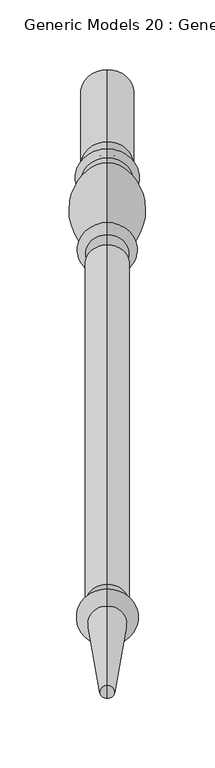
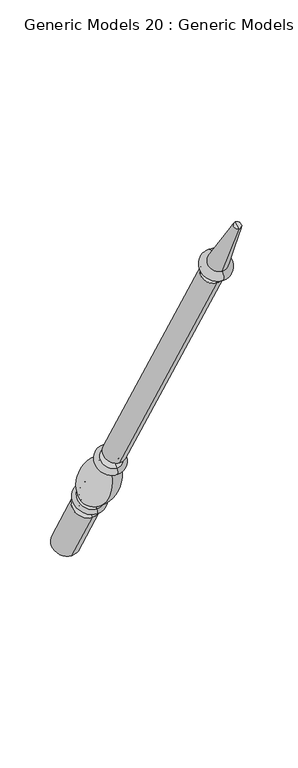
"""IFC4 building model written with IfcOpenShell, lengths in millimetres: proxy geometry, Generic Models 20 : Generic Models 2."""

from ifc_helpers import new_model, si_unit, point, frame, origin, place, context, project, spatial, polyline, circle_curve, ellipse_curve, trimmed, source, transform, mapped, element, save
from ifc_brep_helpers import plane_surface, cylinder_surface, revolved_surface, advanced_brep


def generic_models_20_generic_models_2_b934a1f4(model_context):
    return source(origin(), model_context, "Body", "AdvancedBrep", [
        advanced_brep(
        [(-70.2684498, 1861.1601077, 610.5814746), (-70.2684498, 1828.1645398, 591.5314746), (-70.2684498, 1880.0576333, 501.65), (-70.2684498, 1913.0532012, 520.7), (-70.2684498, 1853.6896456, 623.5206944), (-70.2684498, 1820.6940777, 604.4706944), (-70.2684498, 1849.5864045, 630.6277165), (-70.2684498, 1816.5908366, 611.5777165), (-70.2684498, 1845.9182158, 636.9812058), (-70.2684498, 1812.9226479, 617.9312058), (-70.2684498, 1801.1569262, 703.055156), (-70.2684498, 1778.0815733, 689.7325947), (-70.2684498, 1799.8610191, 710.4046105), (-70.2684498, 1772.3647125, 694.5296105), (-70.2684498, 1794.1590629, 720.2806883), (-70.2684498, 1766.6627563, 704.4056883), (-70.2684498, 1786.7732215, 733.0733408), (-70.2684498, 1759.276915, 717.1983408), (-70.2684498, 1542.2982215, 1156.516462), (-70.2684498, 1514.801915, 1140.641462), (-70.2684498, 1537.2251467, 1153.5875209), (-70.2684498, 1519.8749898, 1143.5704031), (-70.2684498, 1531.1910418, 1164.0388972), (-70.2684498, 1513.8408848, 1154.0217794), (-70.2684498, 1534.7597609, 1166.0992981), (-70.2684498, 1510.2721658, 1151.9613785), (-70.2684498, 1526.5847892, 1180.2587644), (-70.2684498, 1502.0971941, 1166.1208448), (-70.2684498, 1469.4852742, 1261.8053229), (-70.2684498, 1460.0255603, 1256.3437545), (-70.2684498, 1464.7554173, 1259.0745387), (-70.2684498, 1896.5554173, 511.175)],
        [
            (0, 1, circle_curve(frame((-70.2684498, 1844.6623237, 601.0564746), z_axis=(0.0, 0.5000000000000062, -0.8660254037844352), x_axis=(0.0, -0.8660254037844352, -0.5000000000000062)), 19.05)),
            (1, 2),
            (2, 3, circle_curve(frame((-70.2684498, 1896.5554173, 511.175), z_axis=(0.0, -0.5000000000000062, 0.8660254037844352), x_axis=(0.0, -0.8660254037844352, -0.5000000000000062)), 19.05)),
            (3, 0),
            (1, 0, circle_curve(frame((-70.2684498, 1844.6623237, 601.0564746), z_axis=(0.0, 0.5000000000000062, -0.8660254037844352), x_axis=(0.0, -0.8660254037844352, -0.5000000000000062)), 19.05)),
            (3, 2, circle_curve(frame((-70.2684498, 1896.5554173, 511.175), z_axis=(0.0, -0.5000000000000062, 0.8660254037844352), x_axis=(0.0, -0.8660254037844352, -0.5000000000000062)), 19.05)),
            (4, 5, circle_curve(frame((-70.2684498, 1837.1918617, 613.9956944), z_axis=(0.0, 0.5000000000000062, -0.8660254037844352), x_axis=(0.0, -0.8660254037844352, -0.5000000000000062)), 19.05)),
            (5, 1, circle_curve(frame((-70.2684498, 1821.8102989, 596.4889985), z_axis=(-1.0, 0.0, 0.0), x_axis=(0.0, 0.8660254037844352, 0.5000000000000062)), 8.0593685)),
            (0, 4, circle_curve(frame((-70.2684498, 1860.0438865, 618.5631706), z_axis=(-1.0, 0.0, 0.0), x_axis=(0.0, -0.8660254037844352, -0.5000000000000062)), 8.0593685)),
            (5, 4, circle_curve(frame((-70.2684498, 1837.1918617, 613.9956944), z_axis=(0.0, 0.5000000000000062, -0.8660254037844352), x_axis=(0.0, -0.8660254037844352, -0.5000000000000062)), 19.05)),
            (6, 7, circle_curve(frame((-70.2684498, 1833.0886205, 621.1027165), z_axis=(0.0, 0.5000000000000062, -0.8660254037844352), x_axis=(0.0, -0.8660254037844352, -0.5000000000000062)), 19.05)),
            (7, 5, circle_curve(frame((-70.2684498, 1818.6424572, 608.0242055), z_axis=(1.0, 0.0, 0.0), x_axis=(0.0, 0.8660254037844352, 0.5000000000000062)), 4.1032411)),
            (4, 6, circle_curve(frame((-70.2684498, 1851.638025, 627.0742055), z_axis=(1.0, 0.0, 0.0), x_axis=(0.0, -0.8660254037844352, -0.5000000000000062)), 4.1032411)),
            (7, 6, circle_curve(frame((-70.2684498, 1833.0886205, 621.1027165), z_axis=(0.0, 0.5000000000000062, -0.8660254037844352), x_axis=(0.0, -0.8660254037844352, -0.5000000000000062)), 19.05)),
            (8, 9, circle_curve(frame((-70.2684498, 1829.4204318, 627.4562058), z_axis=(0.0, 0.5000000000000062, -0.8660254037844352), x_axis=(0.0, -0.8660254037844352, -0.5000000000000062)), 19.05)),
            (9, 7, circle_curve(frame((-70.2684498, 1813.3633086, 613.9499618), z_axis=(-1.0, 0.0, 0.0), x_axis=(0.0, 0.8660254037844352, 0.5000000000000062)), 4.0055568)),
            (6, 8, circle_curve(frame((-70.2684498, 1849.1457438, 634.6089605), z_axis=(-1.0, 0.0, 0.0), x_axis=(0.0, -0.8660254037844352, -0.5000000000000062)), 4.0055568)),
            (9, 8, circle_curve(frame((-70.2684498, 1829.4204318, 627.4562058), z_axis=(0.0, 0.5000000000000062, -0.8660254037844352), x_axis=(0.0, -0.8660254037844352, -0.5000000000000062)), 19.05)),
            (10, 11, circle_curve(frame((-70.2684498, 1789.6192497, 696.3938754), z_axis=(0.0, 0.5000000000000062, -0.8660254037844352), x_axis=(0.0, -0.8660254037844352, -0.5000000000000062)), 13.3225612)),
            (11, 9, circle_curve(frame((-70.2684498, 1854.1299968, 682.2806335), z_axis=(1.0, 0.0, 0.0), x_axis=(0.0, 0.8660254037844352, 0.5000000000000062)), 76.412659)),
            (8, 10, circle_curve(frame((-70.2684498, 1769.5863022, 633.4693086), z_axis=(1.0, 0.0, 0.0), x_axis=(0.0, -0.8660254037844352, -0.5000000000000062)), 76.412659)),
            (11, 10, circle_curve(frame((-70.2684498, 1789.6192497, 696.3938754), z_axis=(0.0, 0.5000000000000062, -0.8660254037844352), x_axis=(0.0, -0.8660254037844352, -0.5000000000000062)), 13.3225612)),
            (12, 13, circle_curve(frame((-70.2684498, 1786.1128658, 702.4671105), z_axis=(0.0, 0.5000000000000062, -0.8660254037844352), x_axis=(0.0, -0.8660254037844352, -0.5000000000000062)), 15.875)),
            (13, 11, circle_curve(frame((-70.2684498, 1773.4069828, 689.9666873), z_axis=(-1.0, 0.0, 0.0), x_axis=(0.0, 0.8660254037844352, 0.5000000000000062)), 4.6804482)),
            (10, 12, circle_curve(frame((-70.2684498, 1803.2914914, 707.2205164), z_axis=(-1.0, 0.0, 0.0), x_axis=(0.0, -0.8660254037844352, -0.5000000000000062)), 4.6804482)),
            (13, 12, circle_curve(frame((-70.2684498, 1786.1128658, 702.4671105), z_axis=(0.0, 0.5000000000000062, -0.8660254037844352), x_axis=(0.0, -0.8660254037844352, -0.5000000000000062)), 15.875)),
            (14, 15, circle_curve(frame((-70.2684498, 1780.4109096, 712.3431883), z_axis=(0.0, 0.5000000000000062, -0.8660254037844352), x_axis=(0.0, -0.8660254037844352, -0.5000000000000062)), 15.875)),
            (15, 13, circle_curve(frame((-70.2684498, 1769.5137344, 699.4676494), z_axis=(1.0, 0.0, 0.0), x_axis=(0.0, 0.8660254037844352, 0.5000000000000062)), 5.7019562)),
            (12, 14, circle_curve(frame((-70.2684498, 1797.010041, 715.3426494), z_axis=(1.0, 0.0, 0.0), x_axis=(0.0, -0.8660254037844352, -0.5000000000000062)), 5.7019562)),
            (15, 14, circle_curve(frame((-70.2684498, 1780.4109096, 712.3431883), z_axis=(0.0, 0.5000000000000062, -0.8660254037844352), x_axis=(0.0, -0.8660254037844352, -0.5000000000000062)), 15.875)),
            (16, 17, circle_curve(frame((-70.2684498, 1773.0250683, 725.1358408), z_axis=(0.0, 0.5000000000000062, -0.8660254037844352), x_axis=(0.0, -0.8660254037844352, -0.5000000000000062)), 15.875)),
            (17, 15, circle_curve(frame((-70.2684498, 1762.9698356, 710.8020145), z_axis=(-1.0, 0.0, 0.0), x_axis=(0.0, 0.8660254037844352, 0.5000000000000062)), 7.3858413)),
            (14, 16, circle_curve(frame((-70.2684498, 1790.4661422, 726.6770145), z_axis=(-1.0, 0.0, 0.0), x_axis=(0.0, -0.8660254037844352, -0.5000000000000062)), 7.3858413)),
            (17, 16, circle_curve(frame((-70.2684498, 1773.0250683, 725.1358408), z_axis=(0.0, 0.5000000000000062, -0.8660254037844352), x_axis=(0.0, -0.8660254037844352, -0.5000000000000062)), 15.875)),
            (18, 19, circle_curve(frame((-70.2684498, 1528.5500683, 1148.578962), z_axis=(0.0, 0.5000000000000062, -0.8660254037844352), x_axis=(0.0, -0.8660254037844352, -0.5000000000000062)), 15.875)),
            (19, 17),
            (16, 18),
            (19, 18, circle_curve(frame((-70.2684498, 1528.5500683, 1148.578962), z_axis=(0.0, 0.5000000000000062, -0.8660254037844352), x_axis=(0.0, -0.8660254037844352, -0.5000000000000062)), 15.875)),
            (20, 21, circle_curve(frame((-70.2684498, 1528.5500683, 1148.578962), z_axis=(0.0, 0.5000000000000062, -0.8660254037844352), x_axis=(0.0, -0.8660254037844352, -0.5000000000000062)), 10.0171178)),
            (21, 19),
            (18, 20),
            (21, 20, circle_curve(frame((-70.2684498, 1528.5500683, 1148.578962), z_axis=(0.0, 0.5000000000000062, -0.8660254037844352), x_axis=(0.0, -0.8660254037844352, -0.5000000000000062)), 10.0171178)),
            (22, 23, circle_curve(frame((-70.2684498, 1522.5159633, 1159.0303383), z_axis=(0.0, 0.5000000000000062, -0.8660254037844352), x_axis=(0.0, -0.8660254037844352, -0.5000000000000062)), 10.0171178)),
            (23, 21, circle_curve(frame((-70.2684498, 1515.3020818, 1147.8978177), z_axis=(-1.0, 0.0, 0.0), x_axis=(0.0, 0.8660254037844352, 0.5000000000000062)), 6.295872)),
            (20, 22, circle_curve(frame((-70.2684498, 1535.7639497, 1159.7114826), z_axis=(-1.0, 0.0, 0.0), x_axis=(0.0, -0.8660254037844352, -0.5000000000000062)), 6.295872)),
            (23, 22, circle_curve(frame((-70.2684498, 1522.5159633, 1159.0303383), z_axis=(0.0, 0.5000000000000062, -0.8660254037844352), x_axis=(0.0, -0.8660254037844352, -0.5000000000000062)), 10.0171178)),
            (24, 25, circle_curve(frame((-70.2684498, 1522.5159633, 1159.0303383), z_axis=(0.0, 0.5000000000000062, -0.8660254037844352), x_axis=(0.0, -0.8660254037844352, -0.5000000000000062)), 14.1379196)),
            (25, 23),
            (22, 24),
            (25, 24, circle_curve(frame((-70.2684498, 1522.5159633, 1159.0303383), z_axis=(0.0, 0.5000000000000062, -0.8660254037844352), x_axis=(0.0, -0.8660254037844352, -0.5000000000000062)), 14.1379196)),
            (26, 27, circle_curve(frame((-70.2684498, 1514.3409916, 1173.1898046), z_axis=(0.0, 0.5000000000000062, -0.8660254037844352), x_axis=(0.0, -0.8660254037844352, -0.5000000000000062)), 14.1379196)),
            (27, 25, circle_curve(frame((-70.2684498, 1506.1846799, 1159.0411116), z_axis=(1.0, 0.0, 0.0), x_axis=(0.0, 0.8660254037844352, 0.5000000000000062)), 8.1749717)),
            (24, 26, circle_curve(frame((-70.2684498, 1530.672275, 1173.1790313), z_axis=(1.0, 0.0, 0.0), x_axis=(0.0, -0.8660254037844352, -0.5000000000000062)), 8.1749717)),
            (27, 26, circle_curve(frame((-70.2684498, 1514.3409916, 1173.1898046), z_axis=(0.0, 0.5000000000000062, -0.8660254037844352), x_axis=(0.0, -0.8660254037844352, -0.5000000000000062)), 14.1379196)),
            (28, 29, circle_curve(frame((-70.2684498, 1464.7554173, 1259.0745387), z_axis=(0.0, 0.5000000000000062, -0.8660254037844352), x_axis=(0.0, -0.8660254037844352, -0.5000000000000062)), 5.4615684)),
            (29, 27),
            (26, 28),
            (29, 28, circle_curve(frame((-70.2684498, 1464.7554173, 1259.0745387), z_axis=(0.0, 0.5000000000000062, -0.8660254037844352), x_axis=(0.0, -0.8660254037844352, -0.5000000000000062)), 5.4615684)),
            (30, 29),
            (28, 30),
            (2, 31),
            (31, 3),
        ],
        [
            cylinder_surface(frame((-70.2684498, 1464.7554173, 1259.0745387), z_axis=(0.0, -0.5000000000000062, 0.8660254037844352), x_axis=(0.0, -0.8660254037844352, -0.5000000000000062)), 19.05),
            revolved_surface(trimmed(ellipse_curve(frame((-70.2684498, 1821.8102989, 596.4889985), z_axis=(1.0, 0.0, 0.0), x_axis=(0.0, 0.8660254037844352, 0.5000000000000062)), 8.0593685, 8.0593685), [point((-70.2684498, 1828.1645398, 591.5314746))], [point((-70.2684498, 1820.6940777, 604.4706944))], True, "CARTESIAN"), (-70.2684498, 1464.7554173, 1259.0745387), (0.0, -0.5000000000000062, 0.8660254037844352)),
            revolved_surface(trimmed(ellipse_curve(frame((-70.2684498, 1818.6424572, 608.0242055), z_axis=(-1.0, 0.0, 0.0), x_axis=(0.0, 0.8660254037844352, 0.5000000000000062)), 4.1032411, 4.1032411), [point((-70.2684498, 1820.6940777, 604.4706944))], [point((-70.2684498, 1816.5908366, 611.5777165))], True, "CARTESIAN"), (-70.2684498, 1464.7554173, 1259.0745387), (0.0, -0.5000000000000062, 0.8660254037844352)),
            revolved_surface(trimmed(ellipse_curve(frame((-70.2684498, 1813.3633086, 613.9499618), z_axis=(1.0, 0.0, 0.0), x_axis=(0.0, 0.8660254037844352, 0.5000000000000062)), 4.0055568, 4.0055568), [point((-70.2684498, 1816.5908366, 611.5777165))], [point((-70.2684498, 1812.9226479, 617.9312058))], True, "CARTESIAN"), (-70.2684498, 1464.7554173, 1259.0745387), (0.0, -0.5000000000000062, 0.8660254037844352)),
            revolved_surface(trimmed(ellipse_curve(frame((-70.2684498, 1854.1299968, 682.2806335), z_axis=(-1.0, 0.0, 0.0), x_axis=(0.0, 0.8660254037844352, 0.5000000000000062)), 76.412659, 76.412659), [point((-70.2684498, 1812.9226479, 617.9312058))], [point((-70.2684498, 1778.0815733, 689.7325947))], True, "CARTESIAN"), (-70.2684498, 1464.7554173, 1259.0745387), (0.0, -0.5000000000000062, 0.8660254037844352)),
            revolved_surface(trimmed(ellipse_curve(frame((-70.2684498, 1773.4069828, 689.9666873), z_axis=(1.0, 0.0, 0.0), x_axis=(0.0, 0.8660254037844352, 0.5000000000000062)), 4.6804482, 4.6804482), [point((-70.2684498, 1778.0815733, 689.7325947))], [point((-70.2684498, 1772.3647125, 694.5296105))], True, "CARTESIAN"), (-70.2684498, 1464.7554173, 1259.0745387), (0.0, -0.5000000000000062, 0.8660254037844352)),
            revolved_surface(trimmed(ellipse_curve(frame((-70.2684498, 1769.5137344, 699.4676494), z_axis=(-1.0, 0.0, 0.0), x_axis=(0.0, 0.8660254037844352, 0.5000000000000062)), 5.7019562, 5.7019562), [point((-70.2684498, 1772.3647125, 694.5296105))], [point((-70.2684498, 1766.6627563, 704.4056883))], True, "CARTESIAN"), (-70.2684498, 1464.7554173, 1259.0745387), (0.0, -0.5000000000000062, 0.8660254037844352)),
            revolved_surface(trimmed(ellipse_curve(frame((-70.2684498, 1762.9698356, 710.8020145), z_axis=(1.0, 0.0, 0.0), x_axis=(0.0, 0.8660254037844352, 0.5000000000000062)), 7.3858413, 7.3858413), [point((-70.2684498, 1766.6627563, 704.4056883))], [point((-70.2684498, 1759.276915, 717.1983408))], True, "CARTESIAN"), (-70.2684498, 1464.7554173, 1259.0745387), (0.0, -0.5000000000000062, 0.8660254037844352)),
            cylinder_surface(frame((-70.2684498, 1464.7554173, 1259.0745387), z_axis=(0.0, -0.5000000000000062, 0.8660254037844352), x_axis=(0.0, -0.8660254037844352, -0.5000000000000062)), 15.875),
            plane_surface(frame((-70.2684498, 1528.5500683, 1148.578962), z_axis=(0.0, -0.5000000000000062, 0.8660254037844352), x_axis=(0.0, -0.8660254037844352, -0.5000000000000062))),
            revolved_surface(trimmed(ellipse_curve(frame((-70.2684498, 1515.3020818, 1147.8978177), z_axis=(1.0, 0.0, 0.0), x_axis=(0.0, 0.8660254037844352, 0.5000000000000062)), 6.295872, 6.295872), [point((-70.2684498, 1519.8749898, 1143.5704031))], [point((-70.2684498, 1513.8408848, 1154.0217794))], True, "CARTESIAN"), (-70.2684498, 1464.7554173, 1259.0745387), (0.0, -0.5000000000000062, 0.8660254037844352)),
            plane_surface(frame((-70.2684498, 1522.5159633, 1159.0303383), z_axis=(0.0, 0.5000000000000062, -0.8660254037844352), x_axis=(0.0, -0.8660254037844352, -0.5000000000000062))),
            revolved_surface(trimmed(ellipse_curve(frame((-70.2684498, 1506.1846799, 1159.0411116), z_axis=(-1.0, 0.0, 0.0), x_axis=(0.0, 0.8660254037844352, 0.5000000000000062)), 8.1749717, 8.1749717), [point((-70.2684498, 1510.2721658, 1151.9613785))], [point((-70.2684498, 1502.0971941, 1166.1208448))], True, "CARTESIAN"), (-70.2684498, 1464.7554173, 1259.0745387), (0.0, -0.5000000000000062, 0.8660254037844352)),
            revolved_surface(polyline([(-70.2684498, 1502.0971941, 1166.1208448), (-70.2684498, 1460.0255603, 1256.3437545)]), (-70.2684498, 1464.7554173, 1259.0745387), (0.0, -0.5000000000000062, 0.8660254037844352)),
            plane_surface(frame((-70.2684498, 1464.7554173, 1259.0745387), z_axis=(0.0, -0.5000000000000062, 0.8660254037844352), x_axis=(0.0, -0.8660254037844352, -0.5000000000000062))),
            plane_surface(frame((-70.2684498, 1896.5554173, 511.175), z_axis=(0.0, 0.5000000000000062, -0.8660254037844352), x_axis=(0.0, -0.8660254037844352, -0.5000000000000062))),
        ],
        [
            (0, [[1, 2, 3, 4]]),
            (0, [[5, -4, 6, -2]]),
            (1, [[7, 8, -1, 9]]),
            (1, [[10, -9, -5, -8]]),
            (2, [[11, 12, -7, 13]]),
            (2, [[14, -13, -10, -12]]),
            (3, [[15, 16, -11, 17]]),
            (3, [[18, -17, -14, -16]]),
            (4, [[19, 20, -15, 21]]),
            (4, [[22, -21, -18, -20]]),
            (5, [[23, 24, -19, 25]]),
            (5, [[26, -25, -22, -24]]),
            (6, [[27, 28, -23, 29]]),
            (6, [[30, -29, -26, -28]]),
            (7, [[31, 32, -27, 33]]),
            (7, [[34, -33, -30, -32]]),
            (8, [[35, 36, -31, 37]]),
            (8, [[38, -37, -34, -36]]),
            (9, [[39, 40, -35, 41]]),
            (9, [[42, -41, -38, -40]]),
            (10, [[43, 44, -39, 45]]),
            (10, [[46, -45, -42, -44]]),
            (11, [[47, 48, -43, 49]]),
            (11, [[50, -49, -46, -48]]),
            (12, [[51, 52, -47, 53]]),
            (12, [[54, -53, -50, -52]]),
            (13, [[55, 56, -51, 57]]),
            (13, [[58, -57, -54, -56]]),
            (14, [[59, -55, 60]]),
            (14, [[-60, -58, -59]]),
            (15, [[-3, 61, 62]]),
            (15, [[-6, -62, -61]]),
        ],
    ),
    ])


if __name__ == "__main__":
    model = new_model("IFC4")
    model_context = context("Model", 3, world=origin())
    ifc_project = project(units=[si_unit("LENGTHUNIT", "METRE", prefix="MILLI")], contexts=[model_context])
    site = spatial("IfcSite", under=ifc_project)
    building = spatial("IfcBuilding", under=site)
    placement = place(None, origin())
    generic_models_20_generic_models_2_shape = generic_models_20_generic_models_2_b934a1f4(model_context)
    element("IfcBuildingElementProxy", 1, Name="Generic Models 20 : Generic Models 2", ObjectType="Generic Models 20 : Generic Models 2", at=placement, inside=building, context=model_context, shape_type="MappedRepresentation", body=[
        mapped(generic_models_20_generic_models_2_shape, transform((0.0, 0.0, 0.0), x_axis=(1.0, 0.0, 0.0), y_axis=(0.0, 1.0, 0.0), z_axis=(0.0, 0.0, 1.0))),
    ])
    save(model, "model.ifc")
